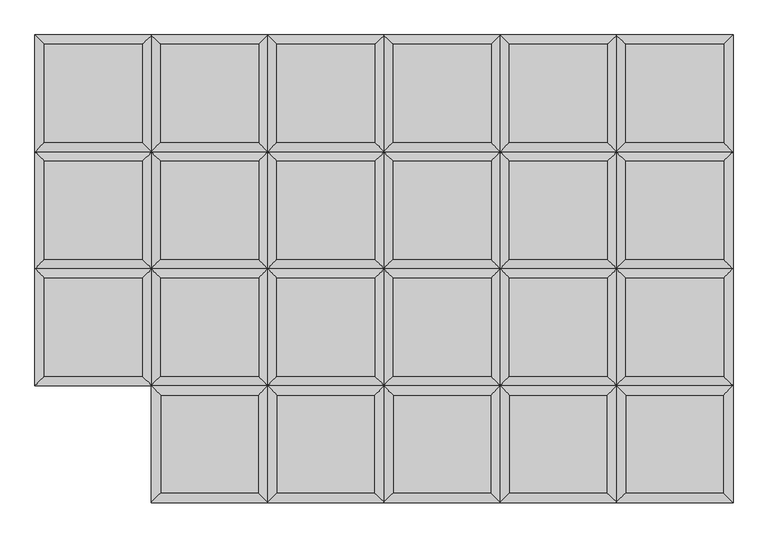
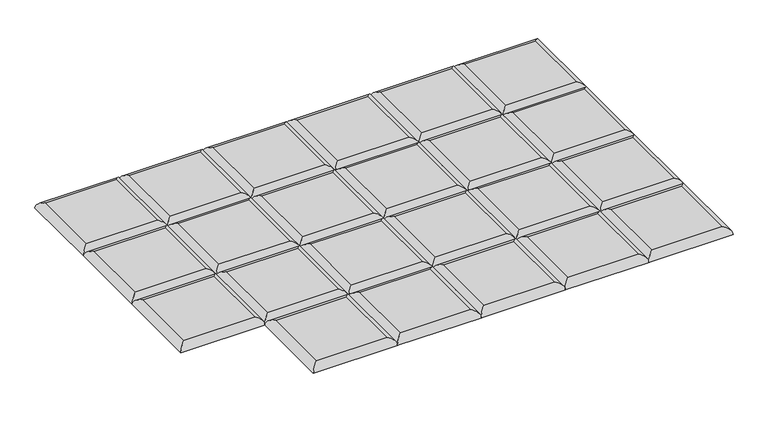
"""IFC4 building model written with IfcOpenShell, lengths in millimetres: furniture geometry."""

from ifc_helpers import new_model, si_unit, frame, origin, place, context, project, spatial, ellipse_curve, source, transform, mapped, element, save
from ifc_brep_helpers import plane_surface, cylinder_surface, advanced_brep


def furniture_475ea330(model_context):
    return source(origin(), model_context, "Body", "AdvancedBrep", [
        advanced_brep(
        [(977.0844878, -204.2894878, 411.6605122), (977.0844878, -17.9605122, 411.6605122), (790.7555122, -17.9605122, 411.6605122), (790.7555122, -204.2894878, 411.6605122), (995.045, 0.0, 393.7), (995.045, -222.25, 393.7), (772.795, -222.25, 393.7), (772.795, 0.0, 393.7)],
        [
            (0, 1),
            (1, 2),
            (2, 3),
            (3, 0),
            (4, 5),
            (5, 6),
            (6, 7),
            (7, 4),
            (4, 1, ellipse_curve(frame((977.0844878, -17.9605122, 393.7), z_axis=(0.7071067811865475, -0.7071067811865475, 0.0), x_axis=(0.7071067811865474, 0.7071067811865476, 0.0)), 25.4, 17.9605122)),
            (0, 5, ellipse_curve(frame((977.0844878, -204.2894878, 393.7), z_axis=(0.7071067811865475, 0.7071067811865475, 0.0), x_axis=(-0.7071067811865474, 0.7071067811865476, 0.0)), 25.4, 17.9605122)),
            (3, 6, ellipse_curve(frame((790.7555122, -204.2894878, 393.7), z_axis=(0.7071067811865475, -0.7071067811865475, 0.0), x_axis=(0.7071067811865476, 0.7071067811865474, 0.0)), 25.4, 17.9605122)),
            (2, 7, ellipse_curve(frame((790.7555122, -17.9605122, 393.7), z_axis=(-0.7071067811865475, -0.7071067811865475, 0.0), x_axis=(0.7071067811865474, -0.7071067811865476, 0.0)), 25.4, 17.9605122)),
        ],
        [
            plane_surface(frame((790.7555122, -17.9605122, 411.6605122), z_axis=(0.0, 0.0, 1.0), x_axis=(-1.0, 0.0, 0.0))),
            plane_surface(frame((790.7555122, -17.9605122, 393.7), z_axis=(0.0, 0.0, -1.0), x_axis=(1.0, 0.0, 0.0))),
            cylinder_surface(frame((977.0844878, 0.0, 393.7), z_axis=(0.0, 1.0, 0.0), x_axis=(1.0, 0.0, 0.0)), 17.9605122),
            cylinder_surface(frame((995.045, -204.2894878, 393.7), z_axis=(1.0, 0.0, 0.0), x_axis=(0.0, -1.0, 0.0)), 17.9605122),
            cylinder_surface(frame((790.7555122, -222.25, 393.7), z_axis=(0.0, -1.0, 0.0), x_axis=(-1.0, 0.0, 0.0)), 17.9605122),
            cylinder_surface(frame((772.795, -17.9605122, 393.7), z_axis=(-1.0, 0.0, 0.0), x_axis=(0.0, 1.0, 0.0)), 17.9605122),
        ],
        [
            (0, [[1, 2, 3, 4]]),
            (1, [[5, 6, 7, 8]]),
            (2, [[9, -1, 10, -5]]),
            (3, [[-10, -4, 11, -6]]),
            (4, [[-11, -3, 12, -7]]),
            (5, [[-9, -8, -12, -2]]),
        ],
    ),
        advanced_brep(
        [(977.0844878, 17.9605122, 411.6605122), (977.0844878, 204.2894878, 411.6605122), (790.7555122, 204.2894878, 411.6605122), (790.7555122, 17.9605122, 411.6605122), (995.045, 222.25, 393.7), (995.045, 0.0, 393.7), (772.795, 0.0, 393.7), (772.795, 222.25, 393.7)],
        [
            (0, 1),
            (1, 2),
            (2, 3),
            (3, 0),
            (4, 5),
            (5, 6),
            (6, 7),
            (7, 4),
            (4, 1, ellipse_curve(frame((977.0844878, 204.2894878, 393.7), z_axis=(0.7071067811865475, -0.7071067811865475, 0.0), x_axis=(0.7071067811865474, 0.7071067811865476, 0.0)), 25.4, 17.9605122)),
            (0, 5, ellipse_curve(frame((977.0844878, 17.9605122, 393.7), z_axis=(0.7071067811865475, 0.7071067811865475, 0.0), x_axis=(-0.7071067811865474, 0.7071067811865476, 0.0)), 25.4, 17.9605122)),
            (3, 6, ellipse_curve(frame((790.7555122, 17.9605122, 393.7), z_axis=(0.7071067811865475, -0.7071067811865475, 0.0), x_axis=(0.7071067811865476, 0.7071067811865474, 0.0)), 25.4, 17.9605122)),
            (2, 7, ellipse_curve(frame((790.7555122, 204.2894878, 393.7), z_axis=(-0.7071067811865475, -0.7071067811865475, 0.0), x_axis=(0.7071067811865474, -0.7071067811865476, 0.0)), 25.4, 17.9605122)),
        ],
        [
            plane_surface(frame((790.7555122, 204.2894878, 411.6605122), z_axis=(0.0, 0.0, 1.0), x_axis=(-1.0, 0.0, 0.0))),
            plane_surface(frame((790.7555122, 204.2894878, 393.7), z_axis=(0.0, 0.0, -1.0), x_axis=(1.0, 0.0, 0.0))),
            cylinder_surface(frame((977.0844878, 222.25, 393.7), z_axis=(0.0, 1.0, 0.0), x_axis=(1.0, 0.0, 0.0)), 17.9605122),
            cylinder_surface(frame((995.045, 17.9605122, 393.7), z_axis=(1.0, 0.0, 0.0), x_axis=(0.0, -1.0, 0.0)), 17.9605122),
            cylinder_surface(frame((790.7555122, 0.0, 393.7), z_axis=(0.0, -1.0, 0.0), x_axis=(-1.0, 0.0, 0.0)), 17.9605122),
            cylinder_surface(frame((772.795, 204.2894878, 393.7), z_axis=(-1.0, 0.0, 0.0), x_axis=(0.0, 1.0, 0.0)), 17.9605122),
        ],
        [
            (0, [[1, 2, 3, 4]]),
            (1, [[5, 6, 7, 8]]),
            (2, [[9, -1, 10, -5]]),
            (3, [[-10, -4, 11, -6]]),
            (4, [[-11, -3, 12, -7]]),
            (5, [[-9, -8, -12, -2]]),
        ],
    ),
        advanced_brep(
        [(977.0844878, 240.2105122, 411.6605122), (977.0844878, 426.5394878, 411.6605122), (790.7555122, 426.5394878, 411.6605122), (790.7555122, 240.2105122, 411.6605122), (995.045, 444.5, 393.7), (995.045, 222.25, 393.7), (772.795, 222.25, 393.7), (772.795, 444.5, 393.7)],
        [
            (0, 1),
            (1, 2),
            (2, 3),
            (3, 0),
            (4, 5),
            (5, 6),
            (6, 7),
            (7, 4),
            (4, 1, ellipse_curve(frame((977.0844878, 426.5394878, 393.7), z_axis=(0.7071067811865475, -0.7071067811865475, 0.0), x_axis=(0.7071067811865474, 0.7071067811865476, 0.0)), 25.4, 17.9605122)),
            (0, 5, ellipse_curve(frame((977.0844878, 240.2105122, 393.7), z_axis=(0.7071067811865475, 0.7071067811865475, 0.0), x_axis=(-0.7071067811865474, 0.7071067811865476, 0.0)), 25.4, 17.9605122)),
            (3, 6, ellipse_curve(frame((790.7555122, 240.2105122, 393.7), z_axis=(0.7071067811865475, -0.7071067811865475, 0.0), x_axis=(0.7071067811865476, 0.7071067811865474, 0.0)), 25.4, 17.9605122)),
            (2, 7, ellipse_curve(frame((790.7555122, 426.5394878, 393.7), z_axis=(-0.7071067811865475, -0.7071067811865475, 0.0), x_axis=(0.7071067811865474, -0.7071067811865476, 0.0)), 25.4, 17.9605122)),
        ],
        [
            plane_surface(frame((790.7555122, 426.5394878, 411.6605122), z_axis=(0.0, 0.0, 1.0), x_axis=(-1.0, 0.0, 0.0))),
            plane_surface(frame((790.7555122, 426.5394878, 393.7), z_axis=(0.0, 0.0, -1.0), x_axis=(1.0, 0.0, 0.0))),
            cylinder_surface(frame((977.0844878, 444.5, 393.7), z_axis=(0.0, 1.0, 0.0), x_axis=(1.0, 0.0, 0.0)), 17.9605122),
            cylinder_surface(frame((995.045, 240.2105122, 393.7), z_axis=(1.0, 0.0, 0.0), x_axis=(0.0, -1.0, 0.0)), 17.9605122),
            cylinder_surface(frame((790.7555122, 222.25, 393.7), z_axis=(0.0, -1.0, 0.0), x_axis=(-1.0, 0.0, 0.0)), 17.9605122),
            cylinder_surface(frame((772.795, 426.5394878, 393.7), z_axis=(-1.0, 0.0, 0.0), x_axis=(0.0, 1.0, 0.0)), 17.9605122),
        ],
        [
            (0, [[1, 2, 3, 4]]),
            (1, [[5, 6, 7, 8]]),
            (2, [[9, -1, 10, -5]]),
            (3, [[-10, -4, 11, -6]]),
            (4, [[-11, -3, 12, -7]]),
            (5, [[-9, -8, -12, -2]]),
        ],
    ),
        advanced_brep(
        [(995.045, -222.25, 393.7), (977.0844878, -240.2105122, 411.6605122), (977.0844878, -426.5394878, 411.6605122), (995.045, -444.5, 393.7), (790.7555122, -426.5394878, 411.6605122), (772.795, -444.5, 393.7), (790.7555122, -240.2105122, 411.6605122), (772.795, -222.25, 393.7)],
        [
            (0, 1, ellipse_curve(frame((977.0844878, -240.2105122, 393.7), z_axis=(0.7071067811865475, -0.7071067811865475, 0.0), x_axis=(0.7071067811865474, 0.7071067811865476, 0.0)), 25.4, 17.9605122)),
            (1, 2),
            (2, 3, ellipse_curve(frame((977.0844878, -426.5394878, 393.7), z_axis=(0.7071067811865475, 0.7071067811865475, 0.0), x_axis=(-0.7071067811865474, 0.7071067811865476, 0.0)), 25.4, 17.9605122)),
            (3, 0),
            (2, 4),
            (4, 5, ellipse_curve(frame((790.7555122, -426.5394878, 393.7), z_axis=(0.7071067811865475, -0.7071067811865475, 0.0), x_axis=(0.7071067811865476, 0.7071067811865474, 0.0)), 25.4, 17.9605122)),
            (5, 3),
            (4, 6),
            (6, 7, ellipse_curve(frame((790.7555122, -240.2105122, 393.7), z_axis=(-0.7071067811865475, -0.7071067811865475, 0.0), x_axis=(0.7071067811865474, -0.7071067811865476, 0.0)), 25.4, 17.9605122)),
            (7, 5),
            (0, 7),
            (6, 1),
        ],
        [
            cylinder_surface(frame((977.0844878, -222.25, 393.7), z_axis=(0.0, 1.0, 0.0), x_axis=(1.0, 0.0, 0.0)), 17.9605122),
            cylinder_surface(frame((995.045, -426.5394878, 393.7), z_axis=(1.0, 0.0, 0.0), x_axis=(0.0, -1.0, 0.0)), 17.9605122),
            cylinder_surface(frame((790.7555122, -444.5, 393.7), z_axis=(0.0, -1.0, 0.0), x_axis=(-1.0, 0.0, 0.0)), 17.9605122),
            cylinder_surface(frame((772.795, -240.2105122, 393.7), z_axis=(-1.0, 0.0, 0.0), x_axis=(0.0, 1.0, 0.0)), 17.9605122),
            plane_surface(frame((772.795, -222.25, 393.7), z_axis=(0.0, 0.0, -1.0), x_axis=(1.0, 0.0, 0.0))),
            plane_surface(frame((790.7555122, -240.2105122, 411.6605122), z_axis=(0.0, 0.0, 1.0), x_axis=(-1.0, 0.0, 0.0))),
        ],
        [
            (0, [[1, 2, 3, 4]]),
            (1, [[-3, 5, 6, 7]]),
            (2, [[-6, 8, 9, 10]]),
            (3, [[-1, 11, -9, 12]]),
            (4, [[-4, -7, -10, -11]]),
            (5, [[-2, -12, -8, -5]]),
        ],
    ),
        advanced_brep(
        [(756.1044878, -204.2894878, 411.6605122), (756.1044878, -17.9605122, 411.6605122), (569.7755122, -17.9605122, 411.6605122), (569.7755122, -204.2894878, 411.6605122), (774.065, 0.0, 393.7), (774.065, -222.25, 393.7), (551.815, -222.25, 393.7), (551.815, 0.0, 393.7)],
        [
            (0, 1),
            (1, 2),
            (2, 3),
            (3, 0),
            (4, 5),
            (5, 6),
            (6, 7),
            (7, 4),
            (4, 1, ellipse_curve(frame((756.1044878, -17.9605122, 393.7), z_axis=(0.7071067811865475, -0.7071067811865475, 0.0), x_axis=(0.7071067811865474, 0.7071067811865476, 0.0)), 25.4, 17.9605122)),
            (0, 5, ellipse_curve(frame((756.1044878, -204.2894878, 393.7), z_axis=(0.7071067811865475, 0.7071067811865475, 0.0), x_axis=(-0.7071067811865474, 0.7071067811865476, 0.0)), 25.4, 17.9605122)),
            (3, 6, ellipse_curve(frame((569.7755122, -204.2894878, 393.7), z_axis=(0.7071067811865475, -0.7071067811865475, 0.0), x_axis=(0.7071067811865476, 0.7071067811865474, 0.0)), 25.4, 17.9605122)),
            (2, 7, ellipse_curve(frame((569.7755122, -17.9605122, 393.7), z_axis=(-0.7071067811865475, -0.7071067811865475, 0.0), x_axis=(0.7071067811865474, -0.7071067811865476, 0.0)), 25.4, 17.9605122)),
        ],
        [
            plane_surface(frame((569.7755122, -17.9605122, 411.6605122), z_axis=(0.0, 0.0, 1.0), x_axis=(-1.0, 0.0, 0.0))),
            plane_surface(frame((569.7755122, -17.9605122, 393.7), z_axis=(0.0, 0.0, -1.0), x_axis=(1.0, 0.0, 0.0))),
            cylinder_surface(frame((756.1044878, 0.0, 393.7), z_axis=(0.0, 1.0, 0.0), x_axis=(1.0, 0.0, 0.0)), 17.9605122),
            cylinder_surface(frame((774.065, -204.2894878, 393.7), z_axis=(1.0, 0.0, 0.0), x_axis=(0.0, -1.0, 0.0)), 17.9605122),
            cylinder_surface(frame((569.7755122, -222.25, 393.7), z_axis=(0.0, -1.0, 0.0), x_axis=(-1.0, 0.0, 0.0)), 17.9605122),
            cylinder_surface(frame((551.815, -17.9605122, 393.7), z_axis=(-1.0, 0.0, 0.0), x_axis=(0.0, 1.0, 0.0)), 17.9605122),
        ],
        [
            (0, [[1, 2, 3, 4]]),
            (1, [[5, 6, 7, 8]]),
            (2, [[9, -1, 10, -5]]),
            (3, [[-10, -4, 11, -6]]),
            (4, [[-11, -3, 12, -7]]),
            (5, [[-9, -8, -12, -2]]),
        ],
    ),
        advanced_brep(
        [(756.1044878, 17.9605122, 411.6605122), (756.1044878, 204.2894878, 411.6605122), (569.7755122, 204.2894878, 411.6605122), (569.7755122, 17.9605122, 411.6605122), (774.065, 222.25, 393.7), (774.065, 0.0, 393.7), (551.815, 0.0, 393.7), (551.815, 222.25, 393.7)],
        [
            (0, 1),
            (1, 2),
            (2, 3),
            (3, 0),
            (4, 5),
            (5, 6),
            (6, 7),
            (7, 4),
            (4, 1, ellipse_curve(frame((756.1044878, 204.2894878, 393.7), z_axis=(0.7071067811865475, -0.7071067811865475, 0.0), x_axis=(0.7071067811865474, 0.7071067811865476, 0.0)), 25.4, 17.9605122)),
            (0, 5, ellipse_curve(frame((756.1044878, 17.9605122, 393.7), z_axis=(0.7071067811865475, 0.7071067811865475, 0.0), x_axis=(-0.7071067811865474, 0.7071067811865476, 0.0)), 25.4, 17.9605122)),
            (3, 6, ellipse_curve(frame((569.7755122, 17.9605122, 393.7), z_axis=(0.7071067811865475, -0.7071067811865475, 0.0), x_axis=(0.7071067811865476, 0.7071067811865474, 0.0)), 25.4, 17.9605122)),
            (2, 7, ellipse_curve(frame((569.7755122, 204.2894878, 393.7), z_axis=(-0.7071067811865475, -0.7071067811865475, 0.0), x_axis=(0.7071067811865474, -0.7071067811865476, 0.0)), 25.4, 17.9605122)),
        ],
        [
            plane_surface(frame((569.7755122, 204.2894878, 411.6605122), z_axis=(0.0, 0.0, 1.0), x_axis=(-1.0, 0.0, 0.0))),
            plane_surface(frame((569.7755122, 204.2894878, 393.7), z_axis=(0.0, 0.0, -1.0), x_axis=(1.0, 0.0, 0.0))),
            cylinder_surface(frame((756.1044878, 222.25, 393.7), z_axis=(0.0, 1.0, 0.0), x_axis=(1.0, 0.0, 0.0)), 17.9605122),
            cylinder_surface(frame((774.065, 17.9605122, 393.7), z_axis=(1.0, 0.0, 0.0), x_axis=(0.0, -1.0, 0.0)), 17.9605122),
            cylinder_surface(frame((569.7755122, 0.0, 393.7), z_axis=(0.0, -1.0, 0.0), x_axis=(-1.0, 0.0, 0.0)), 17.9605122),
            cylinder_surface(frame((551.815, 204.2894878, 393.7), z_axis=(-1.0, 0.0, 0.0), x_axis=(0.0, 1.0, 0.0)), 17.9605122),
        ],
        [
            (0, [[1, 2, 3, 4]]),
            (1, [[5, 6, 7, 8]]),
            (2, [[9, -1, 10, -5]]),
            (3, [[-10, -4, 11, -6]]),
            (4, [[-11, -3, 12, -7]]),
            (5, [[-9, -8, -12, -2]]),
        ],
    ),
        advanced_brep(
        [(756.1044878, 240.2105122, 411.6605122), (756.1044878, 426.5394878, 411.6605122), (569.7755122, 426.5394878, 411.6605122), (569.7755122, 240.2105122, 411.6605122), (774.065, 444.5, 393.7), (774.065, 222.25, 393.7), (551.815, 222.25, 393.7), (551.815, 444.5, 393.7)],
        [
            (0, 1),
            (1, 2),
            (2, 3),
            (3, 0),
            (4, 5),
            (5, 6),
            (6, 7),
            (7, 4),
            (4, 1, ellipse_curve(frame((756.1044878, 426.5394878, 393.7), z_axis=(0.7071067811865475, -0.7071067811865475, 0.0), x_axis=(0.7071067811865474, 0.7071067811865476, 0.0)), 25.4, 17.9605122)),
            (0, 5, ellipse_curve(frame((756.1044878, 240.2105122, 393.7), z_axis=(0.7071067811865475, 0.7071067811865475, 0.0), x_axis=(-0.7071067811865474, 0.7071067811865476, 0.0)), 25.4, 17.9605122)),
            (3, 6, ellipse_curve(frame((569.7755122, 240.2105122, 393.7), z_axis=(0.7071067811865475, -0.7071067811865475, 0.0), x_axis=(0.7071067811865476, 0.7071067811865474, 0.0)), 25.4, 17.9605122)),
            (2, 7, ellipse_curve(frame((569.7755122, 426.5394878, 393.7), z_axis=(-0.7071067811865475, -0.7071067811865475, 0.0), x_axis=(0.7071067811865474, -0.7071067811865476, 0.0)), 25.4, 17.9605122)),
        ],
        [
            plane_surface(frame((569.7755122, 426.5394878, 411.6605122), z_axis=(0.0, 0.0, 1.0), x_axis=(-1.0, 0.0, 0.0))),
            plane_surface(frame((569.7755122, 426.5394878, 393.7), z_axis=(0.0, 0.0, -1.0), x_axis=(1.0, 0.0, 0.0))),
            cylinder_surface(frame((756.1044878, 444.5, 393.7), z_axis=(0.0, 1.0, 0.0), x_axis=(1.0, 0.0, 0.0)), 17.9605122),
            cylinder_surface(frame((774.065, 240.2105122, 393.7), z_axis=(1.0, 0.0, 0.0), x_axis=(0.0, -1.0, 0.0)), 17.9605122),
            cylinder_surface(frame((569.7755122, 222.25, 393.7), z_axis=(0.0, -1.0, 0.0), x_axis=(-1.0, 0.0, 0.0)), 17.9605122),
            cylinder_surface(frame((551.815, 426.5394878, 393.7), z_axis=(-1.0, 0.0, 0.0), x_axis=(0.0, 1.0, 0.0)), 17.9605122),
        ],
        [
            (0, [[1, 2, 3, 4]]),
            (1, [[5, 6, 7, 8]]),
            (2, [[9, -1, 10, -5]]),
            (3, [[-10, -4, 11, -6]]),
            (4, [[-11, -3, 12, -7]]),
            (5, [[-9, -8, -12, -2]]),
        ],
    ),
        advanced_brep(
        [(774.065, -222.25, 393.7), (756.1044878, -240.2105122, 411.6605122), (756.1044878, -426.5394878, 411.6605122), (774.065, -444.5, 393.7), (569.7755122, -426.5394878, 411.6605122), (551.815, -444.5, 393.7), (569.7755122, -240.2105122, 411.6605122), (551.815, -222.25, 393.7)],
        [
            (0, 1, ellipse_curve(frame((756.1044878, -240.2105122, 393.7), z_axis=(0.7071067811865475, -0.7071067811865475, 0.0), x_axis=(0.7071067811865474, 0.7071067811865476, 0.0)), 25.4, 17.9605122)),
            (1, 2),
            (2, 3, ellipse_curve(frame((756.1044878, -426.5394878, 393.7), z_axis=(0.7071067811865475, 0.7071067811865475, 0.0), x_axis=(-0.7071067811865474, 0.7071067811865476, 0.0)), 25.4, 17.9605122)),
            (3, 0),
            (2, 4),
            (4, 5, ellipse_curve(frame((569.7755122, -426.5394878, 393.7), z_axis=(0.7071067811865475, -0.7071067811865475, 0.0), x_axis=(0.7071067811865476, 0.7071067811865474, 0.0)), 25.4, 17.9605122)),
            (5, 3),
            (4, 6),
            (6, 7, ellipse_curve(frame((569.7755122, -240.2105122, 393.7), z_axis=(-0.7071067811865475, -0.7071067811865475, 0.0), x_axis=(0.7071067811865474, -0.7071067811865476, 0.0)), 25.4, 17.9605122)),
            (7, 5),
            (0, 7),
            (6, 1),
        ],
        [
            cylinder_surface(frame((756.1044878, -222.25, 393.7), z_axis=(0.0, 1.0, 0.0), x_axis=(1.0, 0.0, 0.0)), 17.9605122),
            cylinder_surface(frame((774.065, -426.5394878, 393.7), z_axis=(1.0, 0.0, 0.0), x_axis=(0.0, -1.0, 0.0)), 17.9605122),
            cylinder_surface(frame((569.7755122, -444.5, 393.7), z_axis=(0.0, -1.0, 0.0), x_axis=(-1.0, 0.0, 0.0)), 17.9605122),
            cylinder_surface(frame((551.815, -240.2105122, 393.7), z_axis=(-1.0, 0.0, 0.0), x_axis=(0.0, 1.0, 0.0)), 17.9605122),
            plane_surface(frame((551.815, -222.25, 393.7), z_axis=(0.0, 0.0, -1.0), x_axis=(1.0, 0.0, 0.0))),
            plane_surface(frame((569.7755122, -240.2105122, 411.6605122), z_axis=(0.0, 0.0, 1.0), x_axis=(-1.0, 0.0, 0.0))),
        ],
        [
            (0, [[1, 2, 3, 4]]),
            (1, [[-3, 5, 6, 7]]),
            (2, [[-6, 8, 9, 10]]),
            (3, [[-1, 11, -9, 12]]),
            (4, [[-4, -7, -10, -11]]),
            (5, [[-2, -12, -8, -5]]),
        ],
    ),
        advanced_brep(
        [(535.1244878, -204.2894878, 411.6605122), (535.1244878, -17.9605122, 411.6605122), (348.7955122, -17.9605122, 411.6605122), (348.7955122, -204.2894878, 411.6605122), (553.085, 0.0, 393.7), (553.085, -222.25, 393.7), (330.835, -222.25, 393.7), (330.835, 0.0, 393.7)],
        [
            (0, 1),
            (1, 2),
            (2, 3),
            (3, 0),
            (4, 5),
            (5, 6),
            (6, 7),
            (7, 4),
            (4, 1, ellipse_curve(frame((535.1244878, -17.9605122, 393.7), z_axis=(0.7071067811865475, -0.7071067811865475, 0.0), x_axis=(0.7071067811865474, 0.7071067811865476, 0.0)), 25.4, 17.9605122)),
            (0, 5, ellipse_curve(frame((535.1244878, -204.2894878, 393.7), z_axis=(0.7071067811865475, 0.7071067811865475, 0.0), x_axis=(-0.7071067811865474, 0.7071067811865476, 0.0)), 25.4, 17.9605122)),
            (3, 6, ellipse_curve(frame((348.7955122, -204.2894878, 393.7), z_axis=(0.7071067811865475, -0.7071067811865475, 0.0), x_axis=(0.7071067811865476, 0.7071067811865474, 0.0)), 25.4, 17.9605122)),
            (2, 7, ellipse_curve(frame((348.7955122, -17.9605122, 393.7), z_axis=(-0.7071067811865475, -0.7071067811865475, 0.0), x_axis=(0.7071067811865474, -0.7071067811865476, 0.0)), 25.4, 17.9605122)),
        ],
        [
            plane_surface(frame((348.7955122, -17.9605122, 411.6605122), z_axis=(0.0, 0.0, 1.0), x_axis=(-1.0, 0.0, 0.0))),
            plane_surface(frame((348.7955122, -17.9605122, 393.7), z_axis=(0.0, 0.0, -1.0), x_axis=(1.0, 0.0, 0.0))),
            cylinder_surface(frame((535.1244878, 0.0, 393.7), z_axis=(0.0, 1.0, 0.0), x_axis=(1.0, 0.0, 0.0)), 17.9605122),
            cylinder_surface(frame((553.085, -204.2894878, 393.7), z_axis=(1.0, 0.0, 0.0), x_axis=(0.0, -1.0, 0.0)), 17.9605122),
            cylinder_surface(frame((348.7955122, -222.25, 393.7), z_axis=(0.0, -1.0, 0.0), x_axis=(-1.0, 0.0, 0.0)), 17.9605122),
            cylinder_surface(frame((330.835, -17.9605122, 393.7), z_axis=(-1.0, 0.0, 0.0), x_axis=(0.0, 1.0, 0.0)), 17.9605122),
        ],
        [
            (0, [[1, 2, 3, 4]]),
            (1, [[5, 6, 7, 8]]),
            (2, [[9, -1, 10, -5]]),
            (3, [[-10, -4, 11, -6]]),
            (4, [[-11, -3, 12, -7]]),
            (5, [[-9, -8, -12, -2]]),
        ],
    ),
        advanced_brep(
        [(535.1244878, 17.9605122, 411.6605122), (535.1244878, 204.2894878, 411.6605122), (348.7955122, 204.2894878, 411.6605122), (348.7955122, 17.9605122, 411.6605122), (553.085, 222.25, 393.7), (553.085, 0.0, 393.7), (330.835, 0.0, 393.7), (330.835, 222.25, 393.7)],
        [
            (0, 1),
            (1, 2),
            (2, 3),
            (3, 0),
            (4, 5),
            (5, 6),
            (6, 7),
            (7, 4),
            (4, 1, ellipse_curve(frame((535.1244878, 204.2894878, 393.7), z_axis=(0.7071067811865475, -0.7071067811865475, 0.0), x_axis=(0.7071067811865474, 0.7071067811865476, 0.0)), 25.4, 17.9605122)),
            (0, 5, ellipse_curve(frame((535.1244878, 17.9605122, 393.7), z_axis=(0.7071067811865475, 0.7071067811865475, 0.0), x_axis=(-0.7071067811865474, 0.7071067811865476, 0.0)), 25.4, 17.9605122)),
            (3, 6, ellipse_curve(frame((348.7955122, 17.9605122, 393.7), z_axis=(0.7071067811865475, -0.7071067811865475, 0.0), x_axis=(0.7071067811865476, 0.7071067811865474, 0.0)), 25.4, 17.9605122)),
            (2, 7, ellipse_curve(frame((348.7955122, 204.2894878, 393.7), z_axis=(-0.7071067811865475, -0.7071067811865475, 0.0), x_axis=(0.7071067811865474, -0.7071067811865476, 0.0)), 25.4, 17.9605122)),
        ],
        [
            plane_surface(frame((348.7955122, 204.2894878, 411.6605122), z_axis=(0.0, 0.0, 1.0), x_axis=(-1.0, 0.0, 0.0))),
            plane_surface(frame((348.7955122, 204.2894878, 393.7), z_axis=(0.0, 0.0, -1.0), x_axis=(1.0, 0.0, 0.0))),
            cylinder_surface(frame((535.1244878, 222.25, 393.7), z_axis=(0.0, 1.0, 0.0), x_axis=(1.0, 0.0, 0.0)), 17.9605122),
            cylinder_surface(frame((553.085, 17.9605122, 393.7), z_axis=(1.0, 0.0, 0.0), x_axis=(0.0, -1.0, 0.0)), 17.9605122),
            cylinder_surface(frame((348.7955122, 0.0, 393.7), z_axis=(0.0, -1.0, 0.0), x_axis=(-1.0, 0.0, 0.0)), 17.9605122),
            cylinder_surface(frame((330.835, 204.2894878, 393.7), z_axis=(-1.0, 0.0, 0.0), x_axis=(0.0, 1.0, 0.0)), 17.9605122),
        ],
        [
            (0, [[1, 2, 3, 4]]),
            (1, [[5, 6, 7, 8]]),
            (2, [[9, -1, 10, -5]]),
            (3, [[-10, -4, 11, -6]]),
            (4, [[-11, -3, 12, -7]]),
            (5, [[-9, -8, -12, -2]]),
        ],
    ),
        advanced_brep(
        [(535.1244878, 240.2105122, 411.6605122), (535.1244878, 426.5394878, 411.6605122), (348.7955122, 426.5394878, 411.6605122), (348.7955122, 240.2105122, 411.6605122), (553.085, 444.5, 393.7), (553.085, 222.25, 393.7), (330.835, 222.25, 393.7), (330.835, 444.5, 393.7)],
        [
            (0, 1),
            (1, 2),
            (2, 3),
            (3, 0),
            (4, 5),
            (5, 6),
            (6, 7),
            (7, 4),
            (4, 1, ellipse_curve(frame((535.1244878, 426.5394878, 393.7), z_axis=(0.7071067811865475, -0.7071067811865475, 0.0), x_axis=(0.7071067811865474, 0.7071067811865476, 0.0)), 25.4, 17.9605122)),
            (0, 5, ellipse_curve(frame((535.1244878, 240.2105122, 393.7), z_axis=(0.7071067811865475, 0.7071067811865475, 0.0), x_axis=(-0.7071067811865474, 0.7071067811865476, 0.0)), 25.4, 17.9605122)),
            (3, 6, ellipse_curve(frame((348.7955122, 240.2105122, 393.7), z_axis=(0.7071067811865475, -0.7071067811865475, 0.0), x_axis=(0.7071067811865476, 0.7071067811865474, 0.0)), 25.4, 17.9605122)),
            (2, 7, ellipse_curve(frame((348.7955122, 426.5394878, 393.7), z_axis=(-0.7071067811865475, -0.7071067811865475, 0.0), x_axis=(0.7071067811865474, -0.7071067811865476, 0.0)), 25.4, 17.9605122)),
        ],
        [
            plane_surface(frame((348.7955122, 426.5394878, 411.6605122), z_axis=(0.0, 0.0, 1.0), x_axis=(-1.0, 0.0, 0.0))),
            plane_surface(frame((348.7955122, 426.5394878, 393.7), z_axis=(0.0, 0.0, -1.0), x_axis=(1.0, 0.0, 0.0))),
            cylinder_surface(frame((535.1244878, 444.5, 393.7), z_axis=(0.0, 1.0, 0.0), x_axis=(1.0, 0.0, 0.0)), 17.9605122),
            cylinder_surface(frame((553.085, 240.2105122, 393.7), z_axis=(1.0, 0.0, 0.0), x_axis=(0.0, -1.0, 0.0)), 17.9605122),
            cylinder_surface(frame((348.7955122, 222.25, 393.7), z_axis=(0.0, -1.0, 0.0), x_axis=(-1.0, 0.0, 0.0)), 17.9605122),
            cylinder_surface(frame((330.835, 426.5394878, 393.7), z_axis=(-1.0, 0.0, 0.0), x_axis=(0.0, 1.0, 0.0)), 17.9605122),
        ],
        [
            (0, [[1, 2, 3, 4]]),
            (1, [[5, 6, 7, 8]]),
            (2, [[9, -1, 10, -5]]),
            (3, [[-10, -4, 11, -6]]),
            (4, [[-11, -3, 12, -7]]),
            (5, [[-9, -8, -12, -2]]),
        ],
    ),
        advanced_brep(
        [(553.085, -222.25, 393.7), (535.1244878, -240.2105122, 411.6605122), (535.1244878, -426.5394878, 411.6605122), (553.085, -444.5, 393.7), (348.7955122, -426.5394878, 411.6605122), (330.835, -444.5, 393.7), (348.7955122, -240.2105122, 411.6605122), (330.835, -222.25, 393.7)],
        [
            (0, 1, ellipse_curve(frame((535.1244878, -240.2105122, 393.7), z_axis=(0.7071067811865475, -0.7071067811865475, 0.0), x_axis=(0.7071067811865474, 0.7071067811865476, 0.0)), 25.4, 17.9605122)),
            (1, 2),
            (2, 3, ellipse_curve(frame((535.1244878, -426.5394878, 393.7), z_axis=(0.7071067811865475, 0.7071067811865475, 0.0), x_axis=(-0.7071067811865474, 0.7071067811865476, 0.0)), 25.4, 17.9605122)),
            (3, 0),
            (2, 4),
            (4, 5, ellipse_curve(frame((348.7955122, -426.5394878, 393.7), z_axis=(0.7071067811865475, -0.7071067811865475, 0.0), x_axis=(0.7071067811865476, 0.7071067811865474, 0.0)), 25.4, 17.9605122)),
            (5, 3),
            (4, 6),
            (6, 7, ellipse_curve(frame((348.7955122, -240.2105122, 393.7), z_axis=(-0.7071067811865475, -0.7071067811865475, 0.0), x_axis=(0.7071067811865474, -0.7071067811865476, 0.0)), 25.4, 17.9605122)),
            (7, 5),
            (0, 7),
            (6, 1),
        ],
        [
            cylinder_surface(frame((535.1244878, -222.25, 393.7), z_axis=(0.0, 1.0, 0.0), x_axis=(1.0, 0.0, 0.0)), 17.9605122),
            cylinder_surface(frame((553.085, -426.5394878, 393.7), z_axis=(1.0, 0.0, 0.0), x_axis=(0.0, -1.0, 0.0)), 17.9605122),
            cylinder_surface(frame((348.7955122, -444.5, 393.7), z_axis=(0.0, -1.0, 0.0), x_axis=(-1.0, 0.0, 0.0)), 17.9605122),
            cylinder_surface(frame((330.835, -240.2105122, 393.7), z_axis=(-1.0, 0.0, 0.0), x_axis=(0.0, 1.0, 0.0)), 17.9605122),
            plane_surface(frame((330.835, -222.25, 393.7), z_axis=(0.0, 0.0, -1.0), x_axis=(1.0, 0.0, 0.0))),
            plane_surface(frame((348.7955122, -240.2105122, 411.6605122), z_axis=(0.0, 0.0, 1.0), x_axis=(-1.0, 0.0, 0.0))),
        ],
        [
            (0, [[1, 2, 3, 4]]),
            (1, [[-3, 5, 6, 7]]),
            (2, [[-6, 8, 9, 10]]),
            (3, [[-1, 11, -9, 12]]),
            (4, [[-4, -7, -10, -11]]),
            (5, [[-2, -12, -8, -5]]),
        ],
    ),
        advanced_brep(
        [(314.1444878, -204.2894878, 411.6605122), (314.1444878, -17.9605122, 411.6605122), (127.8155122, -17.9605122, 411.6605122), (127.8155122, -204.2894878, 411.6605122), (332.105, 0.0, 393.7), (332.105, -222.25, 393.7), (109.855, -222.25, 393.7), (109.855, 0.0, 393.7)],
        [
            (0, 1),
            (1, 2),
            (2, 3),
            (3, 0),
            (4, 5),
            (5, 6),
            (6, 7),
            (7, 4),
            (4, 1, ellipse_curve(frame((314.1444878, -17.9605122, 393.7), z_axis=(0.7071067811865475, -0.7071067811865475, 0.0), x_axis=(0.7071067811865474, 0.7071067811865476, 0.0)), 25.4, 17.9605122)),
            (0, 5, ellipse_curve(frame((314.1444878, -204.2894878, 393.7), z_axis=(0.7071067811865475, 0.7071067811865475, 0.0), x_axis=(-0.7071067811865474, 0.7071067811865476, 0.0)), 25.4, 17.9605122)),
            (3, 6, ellipse_curve(frame((127.8155122, -204.2894878, 393.7), z_axis=(0.7071067811865475, -0.7071067811865475, 0.0), x_axis=(0.7071067811865476, 0.7071067811865474, 0.0)), 25.4, 17.9605122)),
            (2, 7, ellipse_curve(frame((127.8155122, -17.9605122, 393.7), z_axis=(-0.7071067811865475, -0.7071067811865475, 0.0), x_axis=(0.7071067811865474, -0.7071067811865476, 0.0)), 25.4, 17.9605122)),
        ],
        [
            plane_surface(frame((127.8155122, -17.9605122, 411.6605122), z_axis=(0.0, 0.0, 1.0), x_axis=(-1.0, 0.0, 0.0))),
            plane_surface(frame((127.8155122, -17.9605122, 393.7), z_axis=(0.0, 0.0, -1.0), x_axis=(1.0, 0.0, 0.0))),
            cylinder_surface(frame((314.1444878, 0.0, 393.7), z_axis=(0.0, 1.0, 0.0), x_axis=(1.0, 0.0, 0.0)), 17.9605122),
            cylinder_surface(frame((332.105, -204.2894878, 393.7), z_axis=(1.0, 0.0, 0.0), x_axis=(0.0, -1.0, 0.0)), 17.9605122),
            cylinder_surface(frame((127.8155122, -222.25, 393.7), z_axis=(0.0, -1.0, 0.0), x_axis=(-1.0, 0.0, 0.0)), 17.9605122),
            cylinder_surface(frame((109.855, -17.9605122, 393.7), z_axis=(-1.0, 0.0, 0.0), x_axis=(0.0, 1.0, 0.0)), 17.9605122),
        ],
        [
            (0, [[1, 2, 3, 4]]),
            (1, [[5, 6, 7, 8]]),
            (2, [[9, -1, 10, -5]]),
            (3, [[-10, -4, 11, -6]]),
            (4, [[-11, -3, 12, -7]]),
            (5, [[-9, -8, -12, -2]]),
        ],
    ),
        advanced_brep(
        [(314.1444878, 17.9605122, 411.6605122), (314.1444878, 204.2894878, 411.6605122), (127.8155122, 204.2894878, 411.6605122), (127.8155122, 17.9605122, 411.6605122), (332.105, 222.25, 393.7), (332.105, 0.0, 393.7), (109.855, 0.0, 393.7), (109.855, 222.25, 393.7)],
        [
            (0, 1),
            (1, 2),
            (2, 3),
            (3, 0),
            (4, 5),
            (5, 6),
            (6, 7),
            (7, 4),
            (4, 1, ellipse_curve(frame((314.1444878, 204.2894878, 393.7), z_axis=(0.7071067811865475, -0.7071067811865475, 0.0), x_axis=(0.7071067811865474, 0.7071067811865476, 0.0)), 25.4, 17.9605122)),
            (0, 5, ellipse_curve(frame((314.1444878, 17.9605122, 393.7), z_axis=(0.7071067811865475, 0.7071067811865475, 0.0), x_axis=(-0.7071067811865474, 0.7071067811865476, 0.0)), 25.4, 17.9605122)),
            (3, 6, ellipse_curve(frame((127.8155122, 17.9605122, 393.7), z_axis=(0.7071067811865475, -0.7071067811865475, 0.0), x_axis=(0.7071067811865476, 0.7071067811865474, 0.0)), 25.4, 17.9605122)),
            (2, 7, ellipse_curve(frame((127.8155122, 204.2894878, 393.7), z_axis=(-0.7071067811865475, -0.7071067811865475, 0.0), x_axis=(0.7071067811865474, -0.7071067811865476, 0.0)), 25.4, 17.9605122)),
        ],
        [
            plane_surface(frame((127.8155122, 204.2894878, 411.6605122), z_axis=(0.0, 0.0, 1.0), x_axis=(-1.0, 0.0, 0.0))),
            plane_surface(frame((127.8155122, 204.2894878, 393.7), z_axis=(0.0, 0.0, -1.0), x_axis=(1.0, 0.0, 0.0))),
            cylinder_surface(frame((314.1444878, 222.25, 393.7), z_axis=(0.0, 1.0, 0.0), x_axis=(1.0, 0.0, 0.0)), 17.9605122),
            cylinder_surface(frame((332.105, 17.9605122, 393.7), z_axis=(1.0, 0.0, 0.0), x_axis=(0.0, -1.0, 0.0)), 17.9605122),
            cylinder_surface(frame((127.8155122, 0.0, 393.7), z_axis=(0.0, -1.0, 0.0), x_axis=(-1.0, 0.0, 0.0)), 17.9605122),
            cylinder_surface(frame((109.855, 204.2894878, 393.7), z_axis=(-1.0, 0.0, 0.0), x_axis=(0.0, 1.0, 0.0)), 17.9605122),
        ],
        [
            (0, [[1, 2, 3, 4]]),
            (1, [[5, 6, 7, 8]]),
            (2, [[9, -1, 10, -5]]),
            (3, [[-10, -4, 11, -6]]),
            (4, [[-11, -3, 12, -7]]),
            (5, [[-9, -8, -12, -2]]),
        ],
    ),
        advanced_brep(
        [(314.1444878, 240.2105122, 411.6605122), (314.1444878, 426.5394878, 411.6605122), (127.8155122, 426.5394878, 411.6605122), (127.8155122, 240.2105122, 411.6605122), (332.105, 444.5, 393.7), (332.105, 222.25, 393.7), (109.855, 222.25, 393.7), (109.855, 444.5, 393.7)],
        [
            (0, 1),
            (1, 2),
            (2, 3),
            (3, 0),
            (4, 5),
            (5, 6),
            (6, 7),
            (7, 4),
            (4, 1, ellipse_curve(frame((314.1444878, 426.5394878, 393.7), z_axis=(0.7071067811865475, -0.7071067811865475, 0.0), x_axis=(0.7071067811865474, 0.7071067811865476, 0.0)), 25.4, 17.9605122)),
            (0, 5, ellipse_curve(frame((314.1444878, 240.2105122, 393.7), z_axis=(0.7071067811865475, 0.7071067811865475, 0.0), x_axis=(-0.7071067811865474, 0.7071067811865476, 0.0)), 25.4, 17.9605122)),
            (3, 6, ellipse_curve(frame((127.8155122, 240.2105122, 393.7), z_axis=(0.7071067811865475, -0.7071067811865475, 0.0), x_axis=(0.7071067811865476, 0.7071067811865474, 0.0)), 25.4, 17.9605122)),
            (2, 7, ellipse_curve(frame((127.8155122, 426.5394878, 393.7), z_axis=(-0.7071067811865475, -0.7071067811865475, 0.0), x_axis=(0.7071067811865474, -0.7071067811865476, 0.0)), 25.4, 17.9605122)),
        ],
        [
            plane_surface(frame((127.8155122, 426.5394878, 411.6605122), z_axis=(0.0, 0.0, 1.0), x_axis=(-1.0, 0.0, 0.0))),
            plane_surface(frame((127.8155122, 426.5394878, 393.7), z_axis=(0.0, 0.0, -1.0), x_axis=(1.0, 0.0, 0.0))),
            cylinder_surface(frame((314.1444878, 444.5, 393.7), z_axis=(0.0, 1.0, 0.0), x_axis=(1.0, 0.0, 0.0)), 17.9605122),
            cylinder_surface(frame((332.105, 240.2105122, 393.7), z_axis=(1.0, 0.0, 0.0), x_axis=(0.0, -1.0, 0.0)), 17.9605122),
            cylinder_surface(frame((127.8155122, 222.25, 393.7), z_axis=(0.0, -1.0, 0.0), x_axis=(-1.0, 0.0, 0.0)), 17.9605122),
            cylinder_surface(frame((109.855, 426.5394878, 393.7), z_axis=(-1.0, 0.0, 0.0), x_axis=(0.0, 1.0, 0.0)), 17.9605122),
        ],
        [
            (0, [[1, 2, 3, 4]]),
            (1, [[5, 6, 7, 8]]),
            (2, [[9, -1, 10, -5]]),
            (3, [[-10, -4, 11, -6]]),
            (4, [[-11, -3, 12, -7]]),
            (5, [[-9, -8, -12, -2]]),
        ],
    ),
        advanced_brep(
        [(332.105, -222.25, 393.7), (314.1444878, -240.2105122, 411.6605122), (314.1444878, -426.5394878, 411.6605122), (332.105, -444.5, 393.7), (127.8155122, -426.5394878, 411.6605122), (109.855, -444.5, 393.7), (127.8155122, -240.2105122, 411.6605122), (109.855, -222.25, 393.7)],
        [
            (0, 1, ellipse_curve(frame((314.1444878, -240.2105122, 393.7), z_axis=(0.7071067811865475, -0.7071067811865475, 0.0), x_axis=(0.7071067811865474, 0.7071067811865476, 0.0)), 25.4, 17.9605122)),
            (1, 2),
            (2, 3, ellipse_curve(frame((314.1444878, -426.5394878, 393.7), z_axis=(0.7071067811865475, 0.7071067811865475, 0.0), x_axis=(-0.7071067811865474, 0.7071067811865476, 0.0)), 25.4, 17.9605122)),
            (3, 0),
            (2, 4),
            (4, 5, ellipse_curve(frame((127.8155122, -426.5394878, 393.7), z_axis=(0.7071067811865475, -0.7071067811865475, 0.0), x_axis=(0.7071067811865476, 0.7071067811865474, 0.0)), 25.4, 17.9605122)),
            (5, 3),
            (4, 6),
            (6, 7, ellipse_curve(frame((127.8155122, -240.2105122, 393.7), z_axis=(-0.7071067811865475, -0.7071067811865475, 0.0), x_axis=(0.7071067811865474, -0.7071067811865476, 0.0)), 25.4, 17.9605122)),
            (7, 5),
            (0, 7),
            (6, 1),
        ],
        [
            cylinder_surface(frame((314.1444878, -222.25, 393.7), z_axis=(0.0, 1.0, 0.0), x_axis=(1.0, 0.0, 0.0)), 17.9605122),
            cylinder_surface(frame((332.105, -426.5394878, 393.7), z_axis=(1.0, 0.0, 0.0), x_axis=(0.0, -1.0, 0.0)), 17.9605122),
            cylinder_surface(frame((127.8155122, -444.5, 393.7), z_axis=(0.0, -1.0, 0.0), x_axis=(-1.0, 0.0, 0.0)), 17.9605122),
            cylinder_surface(frame((109.855, -240.2105122, 393.7), z_axis=(-1.0, 0.0, 0.0), x_axis=(0.0, 1.0, 0.0)), 17.9605122),
            plane_surface(frame((109.855, -222.25, 393.7), z_axis=(0.0, 0.0, -1.0), x_axis=(1.0, 0.0, 0.0))),
            plane_surface(frame((127.8155122, -240.2105122, 411.6605122), z_axis=(0.0, 0.0, 1.0), x_axis=(-1.0, 0.0, 0.0))),
        ],
        [
            (0, [[1, 2, 3, 4]]),
            (1, [[-3, 5, 6, 7]]),
            (2, [[-6, 8, 9, 10]]),
            (3, [[-1, 11, -9, 12]]),
            (4, [[-4, -7, -10, -11]]),
            (5, [[-2, -12, -8, -5]]),
        ],
    ),
        advanced_brep(
        [(93.1644878, -204.2894878, 411.6605122), (93.1644878, -17.9605122, 411.6605122), (-93.1644878, -17.9605122, 411.6605122), (-93.1644878, -204.2894878, 411.6605122), (111.125, 0.0, 393.7), (111.125, -222.25, 393.7), (-111.125, -222.25, 393.7), (-111.125, 0.0, 393.7)],
        [
            (0, 1),
            (1, 2),
            (2, 3),
            (3, 0),
            (4, 5),
            (5, 6),
            (6, 7),
            (7, 4),
            (4, 1, ellipse_curve(frame((93.1644878, -17.9605122, 393.7), z_axis=(0.7071067811865475, -0.7071067811865475, 0.0), x_axis=(0.7071067811865474, 0.7071067811865476, 0.0)), 25.4, 17.9605122)),
            (0, 5, ellipse_curve(frame((93.1644878, -204.2894878, 393.7), z_axis=(0.7071067811865475, 0.7071067811865475, 0.0), x_axis=(-0.7071067811865474, 0.7071067811865476, 0.0)), 25.4, 17.9605122)),
            (3, 6, ellipse_curve(frame((-93.1644878, -204.2894878, 393.7), z_axis=(0.7071067811865475, -0.7071067811865475, 0.0), x_axis=(0.7071067811865476, 0.7071067811865474, 0.0)), 25.4, 17.9605122)),
            (2, 7, ellipse_curve(frame((-93.1644878, -17.9605122, 393.7), z_axis=(-0.7071067811865475, -0.7071067811865475, 0.0), x_axis=(0.7071067811865474, -0.7071067811865476, 0.0)), 25.4, 17.9605122)),
        ],
        [
            plane_surface(frame((-93.1644878, -17.9605122, 411.6605122), z_axis=(0.0, 0.0, 1.0), x_axis=(-1.0, 0.0, 0.0))),
            plane_surface(frame((-93.1644878, -17.9605122, 393.7), z_axis=(0.0, 0.0, -1.0), x_axis=(1.0, 0.0, 0.0))),
            cylinder_surface(frame((93.1644878, 0.0, 393.7), z_axis=(0.0, 1.0, 0.0), x_axis=(1.0, 0.0, 0.0)), 17.9605122),
            cylinder_surface(frame((111.125, -204.2894878, 393.7), z_axis=(1.0, 0.0, 0.0), x_axis=(0.0, -1.0, 0.0)), 17.9605122),
            cylinder_surface(frame((-93.1644878, -222.25, 393.7), z_axis=(0.0, -1.0, 0.0), x_axis=(-1.0, 0.0, 0.0)), 17.9605122),
            cylinder_surface(frame((-111.125, -17.9605122, 393.7), z_axis=(-1.0, 0.0, 0.0), x_axis=(0.0, 1.0, 0.0)), 17.9605122),
        ],
        [
            (0, [[1, 2, 3, 4]]),
            (1, [[5, 6, 7, 8]]),
            (2, [[9, -1, 10, -5]]),
            (3, [[-10, -4, 11, -6]]),
            (4, [[-11, -3, 12, -7]]),
            (5, [[-9, -8, -12, -2]]),
        ],
    ),
        advanced_brep(
        [(93.1644878, 17.9605122, 411.6605122), (93.1644878, 204.2894878, 411.6605122), (-93.1644878, 204.2894878, 411.6605122), (-93.1644878, 17.9605122, 411.6605122), (111.125, 222.25, 393.7), (111.125, 0.0, 393.7), (-111.125, 0.0, 393.7), (-111.125, 222.25, 393.7)],
        [
            (0, 1),
            (1, 2),
            (2, 3),
            (3, 0),
            (4, 5),
            (5, 6),
            (6, 7),
            (7, 4),
            (4, 1, ellipse_curve(frame((93.1644878, 204.2894878, 393.7), z_axis=(0.7071067811865475, -0.7071067811865475, 0.0), x_axis=(0.7071067811865474, 0.7071067811865476, 0.0)), 25.4, 17.9605122)),
            (0, 5, ellipse_curve(frame((93.1644878, 17.9605122, 393.7), z_axis=(0.7071067811865475, 0.7071067811865475, 0.0), x_axis=(-0.7071067811865474, 0.7071067811865476, 0.0)), 25.4, 17.9605122)),
            (3, 6, ellipse_curve(frame((-93.1644878, 17.9605122, 393.7), z_axis=(0.7071067811865475, -0.7071067811865475, 0.0), x_axis=(0.7071067811865476, 0.7071067811865474, 0.0)), 25.4, 17.9605122)),
            (2, 7, ellipse_curve(frame((-93.1644878, 204.2894878, 393.7), z_axis=(-0.7071067811865475, -0.7071067811865475, 0.0), x_axis=(0.7071067811865474, -0.7071067811865476, 0.0)), 25.4, 17.9605122)),
        ],
        [
            plane_surface(frame((-93.1644878, 204.2894878, 411.6605122), z_axis=(0.0, 0.0, 1.0), x_axis=(-1.0, 0.0, 0.0))),
            plane_surface(frame((-93.1644878, 204.2894878, 393.7), z_axis=(0.0, 0.0, -1.0), x_axis=(1.0, 0.0, 0.0))),
            cylinder_surface(frame((93.1644878, 222.25, 393.7), z_axis=(0.0, 1.0, 0.0), x_axis=(1.0, 0.0, 0.0)), 17.9605122),
            cylinder_surface(frame((111.125, 17.9605122, 393.7), z_axis=(1.0, 0.0, 0.0), x_axis=(0.0, -1.0, 0.0)), 17.9605122),
            cylinder_surface(frame((-93.1644878, 0.0, 393.7), z_axis=(0.0, -1.0, 0.0), x_axis=(-1.0, 0.0, 0.0)), 17.9605122),
            cylinder_surface(frame((-111.125, 204.2894878, 393.7), z_axis=(-1.0, 0.0, 0.0), x_axis=(0.0, 1.0, 0.0)), 17.9605122),
        ],
        [
            (0, [[1, 2, 3, 4]]),
            (1, [[5, 6, 7, 8]]),
            (2, [[9, -1, 10, -5]]),
            (3, [[-10, -4, 11, -6]]),
            (4, [[-11, -3, 12, -7]]),
            (5, [[-9, -8, -12, -2]]),
        ],
    ),
        advanced_brep(
        [(93.1644878, 240.2105122, 411.6605122), (93.1644878, 426.5394878, 411.6605122), (-93.1644878, 426.5394878, 411.6605122), (-93.1644878, 240.2105122, 411.6605122), (111.125, 444.5, 393.7), (111.125, 222.25, 393.7), (-111.125, 222.25, 393.7), (-111.125, 444.5, 393.7)],
        [
            (0, 1),
            (1, 2),
            (2, 3),
            (3, 0),
            (4, 5),
            (5, 6),
            (6, 7),
            (7, 4),
            (4, 1, ellipse_curve(frame((93.1644878, 426.5394878, 393.7), z_axis=(0.7071067811865475, -0.7071067811865475, 0.0), x_axis=(0.7071067811865474, 0.7071067811865476, 0.0)), 25.4, 17.9605122)),
            (0, 5, ellipse_curve(frame((93.1644878, 240.2105122, 393.7), z_axis=(0.7071067811865475, 0.7071067811865475, 0.0), x_axis=(-0.7071067811865474, 0.7071067811865476, 0.0)), 25.4, 17.9605122)),
            (3, 6, ellipse_curve(frame((-93.1644878, 240.2105122, 393.7), z_axis=(0.7071067811865475, -0.7071067811865475, 0.0), x_axis=(0.7071067811865476, 0.7071067811865474, 0.0)), 25.4, 17.9605122)),
            (2, 7, ellipse_curve(frame((-93.1644878, 426.5394878, 393.7), z_axis=(-0.7071067811865475, -0.7071067811865475, 0.0), x_axis=(0.7071067811865474, -0.7071067811865476, 0.0)), 25.4, 17.9605122)),
        ],
        [
            plane_surface(frame((-93.1644878, 426.5394878, 411.6605122), z_axis=(0.0, 0.0, 1.0), x_axis=(-1.0, 0.0, 0.0))),
            plane_surface(frame((-93.1644878, 426.5394878, 393.7), z_axis=(0.0, 0.0, -1.0), x_axis=(1.0, 0.0, 0.0))),
            cylinder_surface(frame((93.1644878, 444.5, 393.7), z_axis=(0.0, 1.0, 0.0), x_axis=(1.0, 0.0, 0.0)), 17.9605122),
            cylinder_surface(frame((111.125, 240.2105122, 393.7), z_axis=(1.0, 0.0, 0.0), x_axis=(0.0, -1.0, 0.0)), 17.9605122),
            cylinder_surface(frame((-93.1644878, 222.25, 393.7), z_axis=(0.0, -1.0, 0.0), x_axis=(-1.0, 0.0, 0.0)), 17.9605122),
            cylinder_surface(frame((-111.125, 426.5394878, 393.7), z_axis=(-1.0, 0.0, 0.0), x_axis=(0.0, 1.0, 0.0)), 17.9605122),
        ],
        [
            (0, [[1, 2, 3, 4]]),
            (1, [[5, 6, 7, 8]]),
            (2, [[9, -1, 10, -5]]),
            (3, [[-10, -4, 11, -6]]),
            (4, [[-11, -3, 12, -7]]),
            (5, [[-9, -8, -12, -2]]),
        ],
    ),
        advanced_brep(
        [(111.125, -222.25, 393.7), (93.1644878, -240.2105122, 411.6605122), (93.1644878, -426.5394878, 411.6605122), (111.125, -444.5, 393.7), (-93.1644878, -426.5394878, 411.6605122), (-111.125, -444.5, 393.7), (-93.1644878, -240.2105122, 411.6605122), (-111.125, -222.25, 393.7)],
        [
            (0, 1, ellipse_curve(frame((93.1644878, -240.2105122, 393.7), z_axis=(0.7071067811865475, -0.7071067811865475, 0.0), x_axis=(0.7071067811865474, 0.7071067811865476, 0.0)), 25.4, 17.9605122)),
            (1, 2),
            (2, 3, ellipse_curve(frame((93.1644878, -426.5394878, 393.7), z_axis=(0.7071067811865475, 0.7071067811865475, 0.0), x_axis=(-0.7071067811865474, 0.7071067811865476, 0.0)), 25.4, 17.9605122)),
            (3, 0),
            (2, 4),
            (4, 5, ellipse_curve(frame((-93.1644878, -426.5394878, 393.7), z_axis=(0.7071067811865475, -0.7071067811865475, 0.0), x_axis=(0.7071067811865476, 0.7071067811865474, 0.0)), 25.4, 17.9605122)),
            (5, 3),
            (4, 6),
            (6, 7, ellipse_curve(frame((-93.1644878, -240.2105122, 393.7), z_axis=(-0.7071067811865475, -0.7071067811865475, 0.0), x_axis=(0.7071067811865474, -0.7071067811865476, 0.0)), 25.4, 17.9605122)),
            (7, 5),
            (0, 7),
            (6, 1),
        ],
        [
            cylinder_surface(frame((93.1644878, -222.25, 393.7), z_axis=(0.0, 1.0, 0.0), x_axis=(1.0, 0.0, 0.0)), 17.9605122),
            cylinder_surface(frame((111.125, -426.5394878, 393.7), z_axis=(1.0, 0.0, 0.0), x_axis=(0.0, -1.0, 0.0)), 17.9605122),
            cylinder_surface(frame((-93.1644878, -444.5, 393.7), z_axis=(0.0, -1.0, 0.0), x_axis=(-1.0, 0.0, 0.0)), 17.9605122),
            cylinder_surface(frame((-111.125, -240.2105122, 393.7), z_axis=(-1.0, 0.0, 0.0), x_axis=(0.0, 1.0, 0.0)), 17.9605122),
            plane_surface(frame((-111.125, -222.25, 393.7), z_axis=(0.0, 0.0, -1.0), x_axis=(1.0, 0.0, 0.0))),
            plane_surface(frame((-93.1644878, -240.2105122, 411.6605122), z_axis=(0.0, 0.0, 1.0), x_axis=(-1.0, 0.0, 0.0))),
        ],
        [
            (0, [[1, 2, 3, 4]]),
            (1, [[-3, 5, 6, 7]]),
            (2, [[-6, 8, 9, 10]]),
            (3, [[-1, 11, -9, 12]]),
            (4, [[-4, -7, -10, -11]]),
            (5, [[-2, -12, -8, -5]]),
        ],
    ),
        advanced_brep(
        [(-127.8155122, -204.2894878, 411.6605122), (-127.8155122, -17.9605122, 411.6605122), (-314.1444878, -17.9605122, 411.6605122), (-314.1444878, -204.2894878, 411.6605122), (-109.855, 0.0, 393.7), (-109.855, -222.25, 393.7), (-332.105, -222.25, 393.7), (-332.105, 0.0, 393.7)],
        [
            (0, 1),
            (1, 2),
            (2, 3),
            (3, 0),
            (4, 5),
            (5, 6),
            (6, 7),
            (7, 4),
            (4, 1, ellipse_curve(frame((-127.8155122, -17.9605122, 393.7), z_axis=(0.7071067811865475, -0.7071067811865475, 0.0), x_axis=(0.7071067811865474, 0.7071067811865476, 0.0)), 25.4, 17.9605122)),
            (0, 5, ellipse_curve(frame((-127.8155122, -204.2894878, 393.7), z_axis=(0.7071067811865475, 0.7071067811865475, 0.0), x_axis=(-0.7071067811865474, 0.7071067811865476, 0.0)), 25.4, 17.9605122)),
            (3, 6, ellipse_curve(frame((-314.1444878, -204.2894878, 393.7), z_axis=(0.7071067811865475, -0.7071067811865475, 0.0), x_axis=(0.7071067811865476, 0.7071067811865474, 0.0)), 25.4, 17.9605122)),
            (2, 7, ellipse_curve(frame((-314.1444878, -17.9605122, 393.7), z_axis=(-0.7071067811865475, -0.7071067811865475, 0.0), x_axis=(0.7071067811865474, -0.7071067811865476, 0.0)), 25.4, 17.9605122)),
        ],
        [
            plane_surface(frame((-314.1444878, -17.9605122, 411.6605122), z_axis=(0.0, 0.0, 1.0), x_axis=(-1.0, 0.0, 0.0))),
            plane_surface(frame((-314.1444878, -17.9605122, 393.7), z_axis=(0.0, 0.0, -1.0), x_axis=(1.0, 0.0, 0.0))),
            cylinder_surface(frame((-127.8155122, 0.0, 393.7), z_axis=(0.0, 1.0, 0.0), x_axis=(1.0, 0.0, 0.0)), 17.9605122),
            cylinder_surface(frame((-109.855, -204.2894878, 393.7), z_axis=(1.0, 0.0, 0.0), x_axis=(0.0, -1.0, 0.0)), 17.9605122),
            cylinder_surface(frame((-314.1444878, -222.25, 393.7), z_axis=(0.0, -1.0, 0.0), x_axis=(-1.0, 0.0, 0.0)), 17.9605122),
            cylinder_surface(frame((-332.105, -17.9605122, 393.7), z_axis=(-1.0, 0.0, 0.0), x_axis=(0.0, 1.0, 0.0)), 17.9605122),
        ],
        [
            (0, [[1, 2, 3, 4]]),
            (1, [[5, 6, 7, 8]]),
            (2, [[9, -1, 10, -5]]),
            (3, [[-10, -4, 11, -6]]),
            (4, [[-11, -3, 12, -7]]),
            (5, [[-9, -8, -12, -2]]),
        ],
    ),
        advanced_brep(
        [(-127.8155122, 17.9605122, 411.6605122), (-127.8155122, 204.2894878, 411.6605122), (-314.1444878, 204.2894878, 411.6605122), (-314.1444878, 17.9605122, 411.6605122), (-109.855, 222.25, 393.7), (-109.855, 0.0, 393.7), (-332.105, 0.0, 393.7), (-332.105, 222.25, 393.7)],
        [
            (0, 1),
            (1, 2),
            (2, 3),
            (3, 0),
            (4, 5),
            (5, 6),
            (6, 7),
            (7, 4),
            (4, 1, ellipse_curve(frame((-127.8155122, 204.2894878, 393.7), z_axis=(0.7071067811865475, -0.7071067811865475, 0.0), x_axis=(0.7071067811865474, 0.7071067811865476, 0.0)), 25.4, 17.9605122)),
            (0, 5, ellipse_curve(frame((-127.8155122, 17.9605122, 393.7), z_axis=(0.7071067811865475, 0.7071067811865475, 0.0), x_axis=(-0.7071067811865474, 0.7071067811865476, 0.0)), 25.4, 17.9605122)),
            (3, 6, ellipse_curve(frame((-314.1444878, 17.9605122, 393.7), z_axis=(0.7071067811865475, -0.7071067811865475, 0.0), x_axis=(0.7071067811865476, 0.7071067811865474, 0.0)), 25.4, 17.9605122)),
            (2, 7, ellipse_curve(frame((-314.1444878, 204.2894878, 393.7), z_axis=(-0.7071067811865475, -0.7071067811865475, 0.0), x_axis=(0.7071067811865474, -0.7071067811865476, 0.0)), 25.4, 17.9605122)),
        ],
        [
            plane_surface(frame((-314.1444878, 204.2894878, 411.6605122), z_axis=(0.0, 0.0, 1.0), x_axis=(-1.0, 0.0, 0.0))),
            plane_surface(frame((-314.1444878, 204.2894878, 393.7), z_axis=(0.0, 0.0, -1.0), x_axis=(1.0, 0.0, 0.0))),
            cylinder_surface(frame((-127.8155122, 222.25, 393.7), z_axis=(0.0, 1.0, 0.0), x_axis=(1.0, 0.0, 0.0)), 17.9605122),
            cylinder_surface(frame((-109.855, 17.9605122, 393.7), z_axis=(1.0, 0.0, 0.0), x_axis=(0.0, -1.0, 0.0)), 17.9605122),
            cylinder_surface(frame((-314.1444878, 0.0, 393.7), z_axis=(0.0, -1.0, 0.0), x_axis=(-1.0, 0.0, 0.0)), 17.9605122),
            cylinder_surface(frame((-332.105, 204.2894878, 393.7), z_axis=(-1.0, 0.0, 0.0), x_axis=(0.0, 1.0, 0.0)), 17.9605122),
        ],
        [
            (0, [[1, 2, 3, 4]]),
            (1, [[5, 6, 7, 8]]),
            (2, [[9, -1, 10, -5]]),
            (3, [[-10, -4, 11, -6]]),
            (4, [[-11, -3, 12, -7]]),
            (5, [[-9, -8, -12, -2]]),
        ],
    ),
        advanced_brep(
        [(-127.8155122, 240.2105122, 411.6605122), (-127.8155122, 426.5394878, 411.6605122), (-314.1444878, 426.5394878, 411.6605122), (-314.1444878, 240.2105122, 411.6605122), (-109.855, 444.5, 393.7), (-109.855, 222.25, 393.7), (-332.105, 222.25, 393.7), (-332.105, 444.5, 393.7)],
        [
            (0, 1),
            (1, 2),
            (2, 3),
            (3, 0),
            (4, 5),
            (5, 6),
            (6, 7),
            (7, 4),
            (4, 1, ellipse_curve(frame((-127.8155122, 426.5394878, 393.7), z_axis=(0.7071067811865475, -0.7071067811865475, 0.0), x_axis=(0.7071067811865474, 0.7071067811865476, 0.0)), 25.4, 17.9605122)),
            (0, 5, ellipse_curve(frame((-127.8155122, 240.2105122, 393.7), z_axis=(0.7071067811865475, 0.7071067811865475, 0.0), x_axis=(-0.7071067811865474, 0.7071067811865476, 0.0)), 25.4, 17.9605122)),
            (3, 6, ellipse_curve(frame((-314.1444878, 240.2105122, 393.7), z_axis=(0.7071067811865475, -0.7071067811865475, 0.0), x_axis=(0.7071067811865476, 0.7071067811865474, 0.0)), 25.4, 17.9605122)),
            (2, 7, ellipse_curve(frame((-314.1444878, 426.5394878, 393.7), z_axis=(-0.7071067811865475, -0.7071067811865475, 0.0), x_axis=(0.7071067811865474, -0.7071067811865476, 0.0)), 25.4, 17.9605122)),
        ],
        [
            plane_surface(frame((-314.1444878, 426.5394878, 411.6605122), z_axis=(0.0, 0.0, 1.0), x_axis=(-1.0, 0.0, 0.0))),
            plane_surface(frame((-314.1444878, 426.5394878, 393.7), z_axis=(0.0, 0.0, -1.0), x_axis=(1.0, 0.0, 0.0))),
            cylinder_surface(frame((-127.8155122, 444.5, 393.7), z_axis=(0.0, 1.0, 0.0), x_axis=(1.0, 0.0, 0.0)), 17.9605122),
            cylinder_surface(frame((-109.855, 240.2105122, 393.7), z_axis=(1.0, 0.0, 0.0), x_axis=(0.0, -1.0, 0.0)), 17.9605122),
            cylinder_surface(frame((-314.1444878, 222.25, 393.7), z_axis=(0.0, -1.0, 0.0), x_axis=(-1.0, 0.0, 0.0)), 17.9605122),
            cylinder_surface(frame((-332.105, 426.5394878, 393.7), z_axis=(-1.0, 0.0, 0.0), x_axis=(0.0, 1.0, 0.0)), 17.9605122),
        ],
        [
            (0, [[1, 2, 3, 4]]),
            (1, [[5, 6, 7, 8]]),
            (2, [[9, -1, 10, -5]]),
            (3, [[-10, -4, 11, -6]]),
            (4, [[-11, -3, 12, -7]]),
            (5, [[-9, -8, -12, -2]]),
        ],
    ),
    ])


if __name__ == "__main__":
    model = new_model("IFC4")
    model_context = context("Model", 3, world=origin())
    ifc_project = project(units=[si_unit("LENGTHUNIT", "METRE", prefix="MILLI")], contexts=[model_context])
    site = spatial("IfcSite", under=ifc_project)
    building = spatial("IfcBuilding", under=site)
    placement = place(None, origin())
    furniture_shape = furniture_475ea330(model_context)
    element("IfcFurniture", 1, at=placement, inside=building, context=model_context, shape_type="MappedRepresentation", body=[
        mapped(furniture_shape, transform((0.0, 0.0, 0.0), x_axis=(1.0, 0.0, 0.0), y_axis=(0.0, 1.0, 0.0), z_axis=(0.0, 0.0, 1.0))),
    ])
    save(model, "model.ifc")
